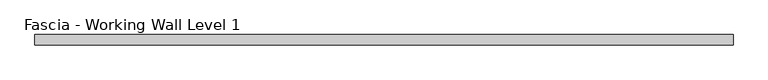
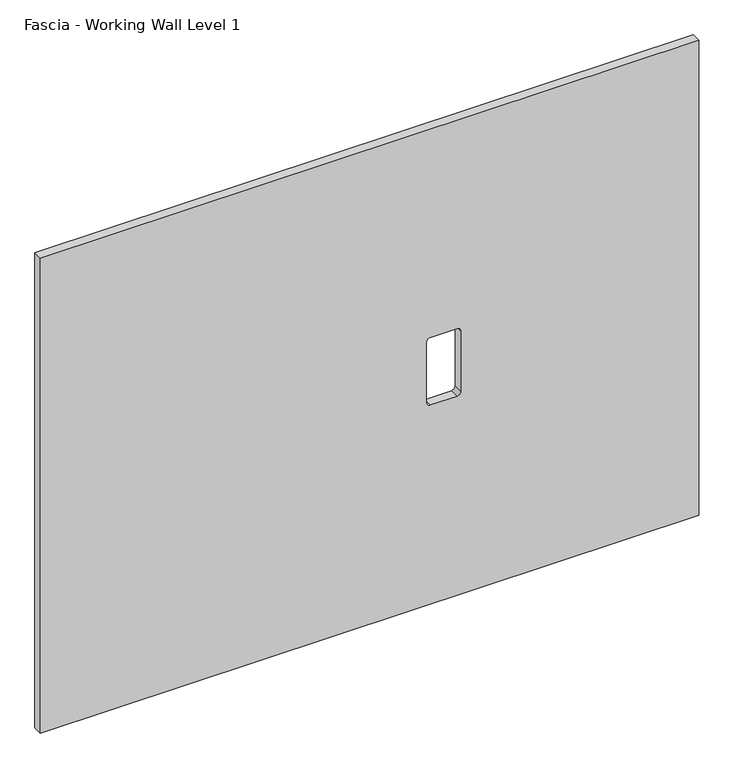
"""IFC4 building model written with IfcOpenShell, lengths in millimetres: proxy geometry, Fascia - Working Wall Level 1."""

from ifc_helpers import new_model, si_unit, point, frame, frame_2d, origin, place, context, project, spatial, polyline, circle_curve, trimmed, segment, composite_curve, outline, extrude, source, transform, mapped, element, save


def fascia_working_wall_level_1_41abb86a(model_context):
    return source(origin(), model_context, "Body", "SweptSolid", [
        extrude(outline(polyline([(918.2606874, 585.2252112), (918.2606874, -619.7777862), (0.0, -619.7777862), (0.0, 585.2252112), (918.2606874, 585.2252112)]), holes=[composite_curve([segment(trimmed(circle_curve(frame_2d((391.2656731, 142.7295257)), 6.35), [point((391.2656731, 149.0795257))], [point((384.9156731, 142.7295257))], True, "CARTESIAN"), True, "CONTINUOUS"), segment(polyline([(384.9156731, 142.7295257), (384.9156731, 93.8853257)]), True, "CONTINUOUS"), segment(trimmed(circle_curve(frame_2d((391.2656731, 93.8853257)), 6.35), [point((384.9156731, 93.8853257))], [point((391.2656731, 87.5353257))], True, "CARTESIAN"), True, "CONTINUOUS"), segment(polyline([(391.2656731, 87.5353257), (509.0200731, 87.5353257)]), True, "CONTINUOUS"), segment(trimmed(circle_curve(frame_2d((509.0200731, 93.8853257)), 6.35), [point((509.0200731, 87.5353257))], [point((515.3700731, 93.8853257))], True, "CARTESIAN"), True, "CONTINUOUS"), segment(polyline([(515.3700731, 93.8853257), (515.3700731, 142.7295257)]), True, "CONTINUOUS"), segment(trimmed(circle_curve(frame_2d((509.0200731, 142.7295257)), 6.35), [point((515.3700731, 142.7295257))], [point((509.0200731, 149.0795257))], True, "CARTESIAN"), True, "CONTINUOUS"), segment(polyline([(509.0200731, 149.0795257), (391.2656731, 149.0795257)]), True, "CONTINUOUS")], self_intersect=False)]), frame((0.0, 6.75158, 0.0), z_axis=(0.0, 1.0, 0.0), x_axis=(0.0, 0.0, 1.0)), (0.0, 0.0, 1.0), 17.4752),
    ])


if __name__ == "__main__":
    model = new_model("IFC4")
    model_context = context("Model", 3, world=origin())
    ifc_project = project(units=[si_unit("LENGTHUNIT", "METRE", prefix="MILLI")], contexts=[model_context])
    site = spatial("IfcSite", under=ifc_project)
    building = spatial("IfcBuilding", under=site)
    placement = place(None, origin())
    fascia_working_wall_level_1_shape = fascia_working_wall_level_1_41abb86a(model_context)
    element("IfcBuildingElementProxy", 1, Name="Fascia - Working Wall Level 1", ObjectType="Fascia - Working Wall Level 1", at=placement, inside=building, context=model_context, shape_type="MappedRepresentation", body=[
        mapped(fascia_working_wall_level_1_shape, transform((0.0, 0.0, 0.0), x_axis=(1.0, 0.0, 0.0), y_axis=(0.0, 1.0, 0.0), z_axis=(0.0, 0.0, 1.0))),
    ])
    save(model, "model.ifc")
